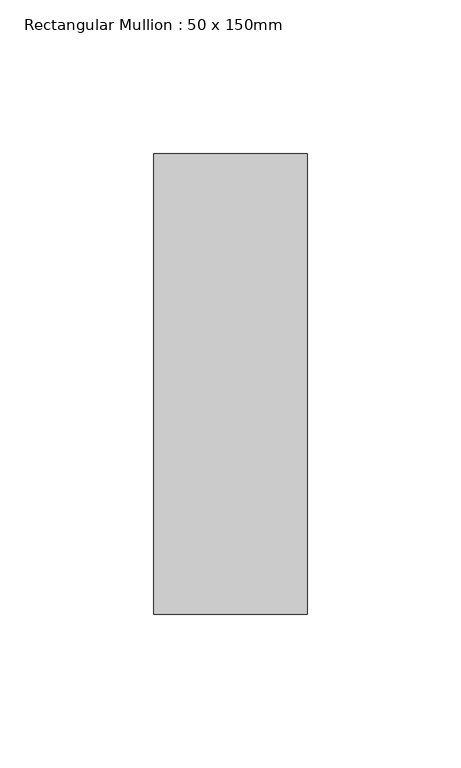
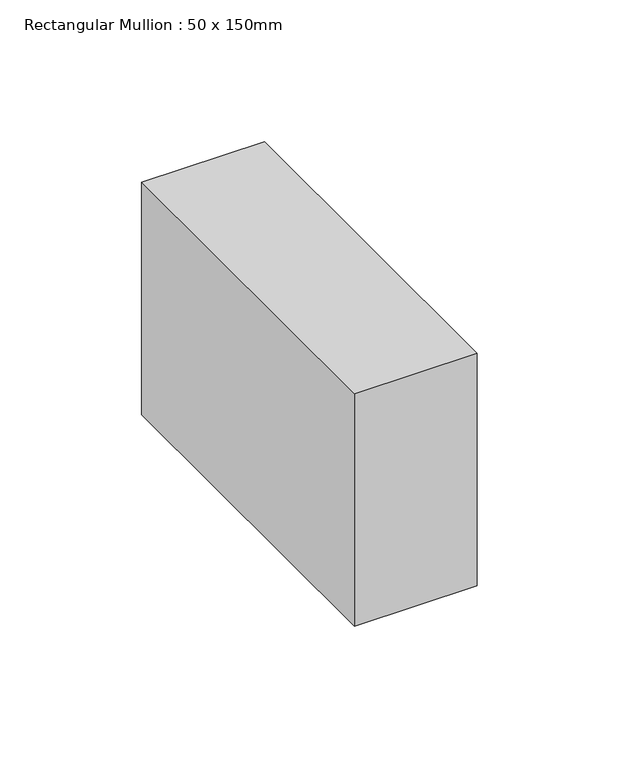
"""IFC4 building model written with IfcOpenShell, lengths in millimetres: member geometry, Rectangular Mullion : 50 x 150mm."""

from ifc_helpers import new_model, si_unit, frame, origin, place, context, project, spatial, polyline, outline, extrude, source, transform, mapped, element, save


def rectangular_mullion_50_x_150mm_3eef92e2(model_context):
    return source(origin(), model_context, "Body", "SweptSolid", [
        extrude(outline(polyline([(25.0, 75.0), (25.0, -75.0), (-25.0, -75.0), (-25.0, 75.0), (25.0, 75.0)])), frame((0.0, 0.0, -100.0), z_axis=(0.0, 0.0, 1.0), x_axis=(1.0, 0.0, 0.0)), (0.0, 0.0, 1.0), 100.0),
    ])


if __name__ == "__main__":
    model = new_model("IFC4")
    model_context = context("Model", 3, world=origin())
    ifc_project = project(units=[si_unit("LENGTHUNIT", "METRE", prefix="MILLI")], contexts=[model_context])
    site = spatial("IfcSite", under=ifc_project)
    building = spatial("IfcBuilding", under=site)
    placement = place(None, origin())
    rectangular_mullion_50_x_150mm_shape = rectangular_mullion_50_x_150mm_3eef92e2(model_context)
    element("IfcMember", 1, ObjectType="Rectangular Mullion : 50 x 150mm", at=placement, inside=building, context=model_context, shape_type="MappedRepresentation", body=[
        mapped(rectangular_mullion_50_x_150mm_shape, transform((0.0, 0.0, 0.0), x_axis=(1.0, 0.0, 0.0), y_axis=(0.0, 1.0, 0.0), z_axis=(0.0, 0.0, 1.0))),
    ])
    save(model, "model.ifc")
